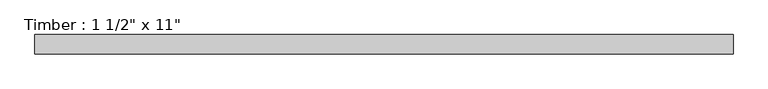
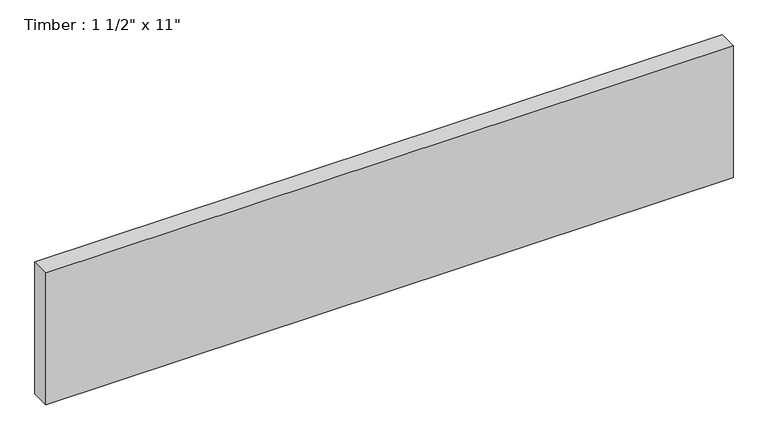
"""IFC4 building model written with IfcOpenShell, lengths in millimetres: beam geometry."""

from ifc_helpers import new_model, si_unit, frame, origin, place, context, project, spatial, polyline, outline, extrude, source, transform, mapped, element, save


def beam_179fe1ce(model_context):
    return source(origin(), model_context, "Body", "SweptSolid", [
        extrude(outline(polyline([(688.4996183, 19.05), (688.4996183, -19.05), (-688.4996183, -19.05), (-688.4996183, 19.05), (688.4996183, 19.05)])), frame((0.0, 0.0, -139.7), z_axis=(0.0, 0.0, 1.0), x_axis=(1.0, 0.0, 0.0)), (0.0, 0.0, 1.0), 279.4),
    ])


if __name__ == "__main__":
    model = new_model("IFC4")
    model_context = context("Model", 3, world=origin())
    ifc_project = project(units=[si_unit("LENGTHUNIT", "METRE", prefix="MILLI")], contexts=[model_context])
    site = spatial("IfcSite", under=ifc_project)
    building = spatial("IfcBuilding", under=site)
    placement = place(None, origin())
    beam_shape = beam_179fe1ce(model_context)
    element("IfcBeam", 1, ObjectType="Timber : 1 1/2\" x 11\"", at=placement, inside=building, context=model_context, shape_type="MappedRepresentation", body=[
        mapped(beam_shape, transform((0.0, 0.0, 0.0), x_axis=(1.0, 0.0, 0.0), y_axis=(0.0, 1.0, 0.0), z_axis=(0.0, 0.0, 1.0))),
    ])
    save(model, "model.ifc")
